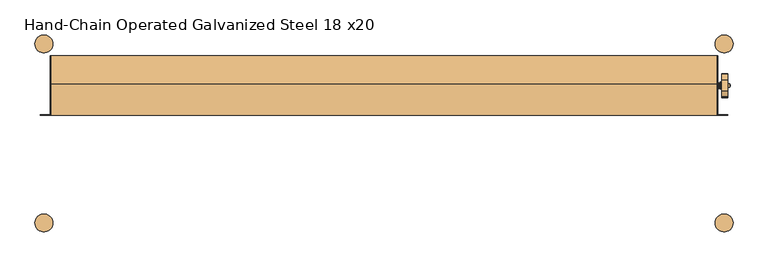
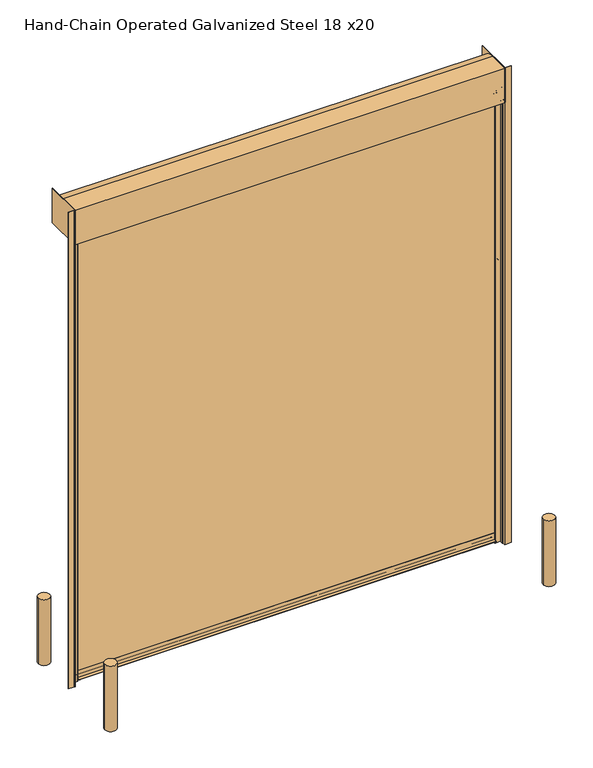
"""IFC4 building model written with IfcOpenShell, lengths in millimetres: door geometry, Hand-Chain Operated Galvanized Steel 18 x20."""

from ifc_helpers import new_model, si_unit, point, frame, frame_2d, origin, origin_with_axes, place, context, project, spatial, polyline, circle_curve, ellipse_curve, trimmed, segment, composite_curve, outline, extrude, source, transform, mapped, element, save
from ifc_brep_helpers import plane_surface, cylinder_surface, revolved_surface, advanced_brep


def hand_chain_operated_galvanized_steel_18_x20_b27704e9(model_context):
    return source(origin(), model_context, "Body", "SolidModel", [
        extrude(outline(composite_curve([segment(trimmed(circle_curve(frame_2d((-1981.2, 762.0)), 76.2), [point((-2057.4, 762.0))], [point((-1905.0, 762.0))], False, "CARTESIAN"), True, "CONTINUOUS"), segment(trimmed(circle_curve(frame_2d((-1981.2, 762.0)), 76.2), [point((-1905.0, 762.0))], [point((-2057.4, 762.0))], False, "CARTESIAN"), True, "CONTINUOUS")], self_intersect=False)), origin_with_axes(), (0.0, 0.0, 1.0), 914.4),
        extrude(outline(composite_curve([segment(trimmed(circle_curve(frame_2d((3810.0, 762.0)), 76.2), [point((3733.8, 762.0))], [point((3886.2, 762.0))], False, "CARTESIAN"), True, "CONTINUOUS"), segment(trimmed(circle_curve(frame_2d((3810.0, 762.0)), 76.2), [point((3886.2, 762.0))], [point((3733.8, 762.0))], False, "CARTESIAN"), True, "CONTINUOUS")], self_intersect=False)), origin_with_axes(), (0.0, 0.0, 1.0), 914.4),
        extrude(outline(composite_curve([segment(trimmed(circle_curve(frame_2d((3810.0, -762.0)), 76.2), [point((3886.2, -762.0))], [point((3733.8, -762.0))], False, "CARTESIAN"), True, "CONTINUOUS"), segment(trimmed(circle_curve(frame_2d((3810.0, -762.0)), 76.2), [point((3733.8, -762.0))], [point((3886.2, -762.0))], False, "CARTESIAN"), True, "CONTINUOUS")], self_intersect=False)), origin_with_axes(), (0.0, 0.0, 1.0), 914.4),
        extrude(outline(composite_curve([segment(trimmed(circle_curve(frame_2d((-1981.2, -762.0)), 76.2), [point((-2057.4, -762.0))], [point((-1905.0, -762.0))], False, "CARTESIAN"), True, "CONTINUOUS"), segment(trimmed(circle_curve(frame_2d((-1981.2, -762.0)), 76.2), [point((-1905.0, -762.0))], [point((-2057.4, -762.0))], False, "CARTESIAN"), True, "CONTINUOUS")], self_intersect=False)), origin_with_axes(), (0.0, 0.0, 1.0), 914.4),
        extrude(outline(polyline([(-1928.8252, 660.4), (-1922.4752, 660.4), (-1922.4752, 152.4), (-1928.8252, 152.4), (-1928.8252, 660.4)])), frame((0.0, 0.0, 6172.2), z_axis=(0.0, 0.0, 1.0), x_axis=(1.0, 0.0, 0.0)), (0.0, 0.0, 1.0), 482.6),
        advanced_brep(
        [(3841.8309604, 455.9483399, 6281.6469387), (3841.8309604, 356.8516601, 6281.6469387), (3841.8309604, 310.1951464, 6160.1025652), (3841.8309604, 309.5625, 6156.6891105), (3841.8309604, 309.5625, 6103.6877303), (3841.8309604, 305.4933116, 6093.7069784), (3841.8309604, 307.2003, 6089.65), (3841.8309604, 346.8751, 6089.65), (3841.8309604, 348.5820884, 6093.7069784), (3841.8309604, 344.7479873, 6106.267727), (3841.8309604, 357.2129, 6121.4), (3841.8309604, 366.3647733, 6121.4), (3841.8309604, 446.4352267, 6121.4), (3841.8309604, 455.5871, 6121.4), (3841.8309604, 468.2871, 6108.7), (3841.8309604, 468.2871, 6103.6877303), (3841.8309604, 464.2179116, 6093.7069784), (3841.8309604, 465.9249, 6089.65), (3841.8309604, 505.5997, 6089.65), (3841.8309604, 507.3066884, 6093.7069784), (3841.8309604, 503.2375, 6103.6877303), (3841.8309604, 503.2375, 6158.4544649), (3841.8309604, 390.525, 6200.775), (3841.8309604, 422.275, 6200.775), (3791.0309604, 455.9483399, 6281.6469387), (3791.0309604, 503.2375, 6158.4544649), (3791.0309604, 503.2375, 6103.6877303), (3791.0309604, 507.3066884, 6093.7069784), (3791.0309604, 505.5997, 6089.65), (3791.0309604, 465.9249, 6089.65), (3791.0309604, 464.2179116, 6093.7069784), (3791.0309604, 468.2871, 6103.6877303), (3791.0309604, 468.2871, 6108.7), (3791.0309604, 455.5871, 6121.4), (3791.0309604, 446.4352267, 6121.4), (3791.0309604, 366.3647733, 6121.4), (3791.0309604, 357.2129, 6121.4), (3791.0309604, 344.7479873, 6106.267727), (3791.0309604, 348.5820884, 6093.7069784), (3791.0309604, 346.8751, 6089.65), (3791.0309604, 307.2003, 6089.65), (3791.0309604, 305.4933116, 6093.7069784), (3791.0309604, 309.5625, 6103.6877303), (3791.0309604, 309.5625, 6156.6891105), (3791.0309604, 310.1951464, 6160.1025652), (3791.0309604, 356.8516601, 6281.6469387), (3791.0309604, 406.4, 6220.3965), (3791.0309604, 406.4, 6182.2965), (3856.1184604, 422.275, 6200.775), (3856.1184604, 390.525, 6200.775), (3856.1184604, 406.4, 6191.8215), (3856.1184604, 406.4, 6210.8715), (3862.3875, 406.4, 6194.9965), (3859.2125, 406.4, 6191.8215), (3859.2125, 406.4, 6210.8715), (3862.3875, 406.4, 6207.6965), (3862.3875, 406.4, 6201.3465), (3757.6125, 406.4, 6175.9465), (3757.6125, 406.4, 6201.3465), (3757.6125, 406.4, 6226.7465), (3763.9625, 406.4, 6226.7465), (3763.9625, 406.4, 6175.9465), (3763.9625, 406.4, 6222.7841), (3763.9625, 406.4, 6179.9089), (3774.0971, 406.4, 6222.7841), (3774.0971, 406.4, 6179.9089), (3774.0971, 406.4, 6226.62585), (3774.0971, 406.4, 6176.06715), (3775.6846, 406.4, 6232.97585), (3775.6846, 406.4, 6169.71715), (3778.25, 406.4, 6232.97585), (3778.25, 406.4, 6169.71715), (3779.8375, 406.4, 6226.62585), (3779.8375, 406.4, 6176.06715), (3779.8375, 406.4, 6220.3965), (3779.8375, 406.4, 6182.2965)],
        [
            (0, 1, circle_curve(frame((3841.8309604, 406.4, 6200.775), z_axis=(1.0, 0.0, 0.0), x_axis=(0.0, -1.0, 0.0)), 94.8436)),
            (1, 2),
            (2, 3, circle_curve(frame((3841.8309604, 319.0875, 6156.6891105), z_axis=(1.0, 0.0, 0.0), x_axis=(0.0, -1.0, 0.0)), 9.525)),
            (3, 4),
            (4, 5, circle_curve(frame((3841.8309604, 295.2877, 6103.6877303), z_axis=(-1.0, 0.0, 0.0), x_axis=(0.0, -1.0, 0.0)), 14.2748)),
            (5, 6, circle_curve(frame((3841.8309604, 307.2003, 6092.0376), z_axis=(1.0, 0.0, 0.0), x_axis=(0.0, -1.0, 0.0)), 2.3876)),
            (6, 7),
            (7, 8, circle_curve(frame((3841.8309604, 346.8751, 6092.0376), z_axis=(1.0, 0.0, 0.0), x_axis=(0.0, -1.0, 0.0)), 2.3876)),
            (8, 9, circle_curve(frame((3841.8309604, 358.7877, 6103.6877303), z_axis=(-1.0, 0.0, 0.0), x_axis=(0.0, -1.0, 0.0)), 14.2748)),
            (9, 10, circle_curve(frame((3841.8309604, 357.2129, 6108.7), z_axis=(-1.0, 0.0, 0.0), x_axis=(0.0, -1.0, 0.0)), 12.7)),
            (10, 11),
            (11, 12, circle_curve(frame((3841.8309604, 406.4, 6200.775), z_axis=(1.0, 0.0, 0.0), x_axis=(0.0, -1.0, 0.0)), 88.9)),
            (12, 13),
            (13, 14, circle_curve(frame((3841.8309604, 455.5871, 6108.7), z_axis=(-1.0, 0.0, 0.0), x_axis=(0.0, -1.0, 0.0)), 12.7)),
            (14, 15),
            (15, 16, circle_curve(frame((3841.8309604, 454.0123, 6103.6877303), z_axis=(-1.0, 0.0, 0.0), x_axis=(0.0, -1.0, 0.0)), 14.2748)),
            (16, 17, circle_curve(frame((3841.8309604, 465.9249, 6092.0376), z_axis=(1.0, 0.0, 0.0), x_axis=(0.0, -1.0, 0.0)), 2.3876)),
            (17, 18),
            (18, 19, circle_curve(frame((3841.8309604, 505.5997, 6092.0376), z_axis=(1.0, 0.0, 0.0), x_axis=(0.0, -1.0, 0.0)), 2.3876)),
            (19, 20, circle_curve(frame((3841.8309604, 517.5123, 6103.6877303), z_axis=(-1.0, 0.0, 0.0), x_axis=(0.0, -1.0, 0.0)), 14.2748)),
            (20, 21),
            (21, 0),
            (22, 23, circle_curve(frame((3841.8309604, 406.4, 6200.775), z_axis=(-1.0, 0.0, 0.0), x_axis=(0.0, -1.0, 0.0)), 15.875)),
            (23, 22, circle_curve(frame((3841.8309604, 406.4, 6200.775), z_axis=(-1.0, 0.0, 0.0), x_axis=(0.0, -1.0, 0.0)), 15.875)),
            (24, 25),
            (25, 26),
            (26, 27, circle_curve(frame((3791.0309604, 517.5123, 6103.6877303), z_axis=(1.0, 0.0, 0.0), x_axis=(0.0, -1.0, 0.0)), 14.2748)),
            (27, 28, circle_curve(frame((3791.0309604, 505.5997, 6092.0376), z_axis=(-1.0, 0.0, 0.0), x_axis=(0.0, -1.0, 0.0)), 2.3876)),
            (28, 29),
            (29, 30, circle_curve(frame((3791.0309604, 465.9249, 6092.0376), z_axis=(-1.0, 0.0, 0.0), x_axis=(0.0, -1.0, 0.0)), 2.3876)),
            (30, 31, circle_curve(frame((3791.0309604, 454.0123, 6103.6877303), z_axis=(1.0, 0.0, 0.0), x_axis=(0.0, -1.0, 0.0)), 14.2748)),
            (31, 32),
            (32, 33, circle_curve(frame((3791.0309604, 455.5871, 6108.7), z_axis=(1.0, 0.0, 0.0), x_axis=(0.0, -1.0, 0.0)), 12.7)),
            (33, 34),
            (34, 35, circle_curve(frame((3791.0309604, 406.4, 6200.775), z_axis=(-1.0, 0.0, 0.0), x_axis=(0.0, -1.0, 0.0)), 88.9)),
            (35, 36),
            (36, 37, circle_curve(frame((3791.0309604, 357.2129, 6108.7), z_axis=(1.0, 0.0, 0.0), x_axis=(0.0, -1.0, 0.0)), 12.7)),
            (37, 38, circle_curve(frame((3791.0309604, 358.7877, 6103.6877303), z_axis=(1.0, 0.0, 0.0), x_axis=(0.0, -1.0, 0.0)), 14.2748)),
            (38, 39, circle_curve(frame((3791.0309604, 346.8751, 6092.0376), z_axis=(-1.0, 0.0, 0.0), x_axis=(0.0, -1.0, 0.0)), 2.3876)),
            (39, 40),
            (40, 41, circle_curve(frame((3791.0309604, 307.2003, 6092.0376), z_axis=(-1.0, 0.0, 0.0), x_axis=(0.0, -1.0, 0.0)), 2.3876)),
            (41, 42, circle_curve(frame((3791.0309604, 295.2877, 6103.6877303), z_axis=(1.0, 0.0, 0.0), x_axis=(0.0, -1.0, 0.0)), 14.2748)),
            (42, 43),
            (43, 44, circle_curve(frame((3791.0309604, 319.0875, 6156.6891105), z_axis=(-1.0, 0.0, 0.0), x_axis=(0.0, -1.0, 0.0)), 9.525)),
            (44, 45),
            (45, 24, circle_curve(frame((3791.0309604, 406.4, 6200.775), z_axis=(-1.0, 0.0, 0.0), x_axis=(0.0, -1.0, 0.0)), 94.8436)),
            (46, 47, circle_curve(frame((3791.0309604, 406.4, 6201.3465), z_axis=(1.0, 0.0, 0.0), x_axis=(0.0, 0.0, 1.0)), 19.05)),
            (47, 46, circle_curve(frame((3791.0309604, 406.4, 6201.3465), z_axis=(1.0, 0.0, 0.0), x_axis=(0.0, 0.0, 1.0)), 19.05)),
            (21, 25),
            (24, 0),
            (20, 26),
            (19, 27),
            (18, 28),
            (17, 29),
            (16, 30),
            (15, 31),
            (14, 32),
            (13, 33),
            (12, 34),
            (11, 35),
            (10, 36),
            (9, 37),
            (8, 38),
            (7, 39),
            (6, 40),
            (5, 41),
            (4, 42),
            (3, 43),
            (2, 44),
            (1, 45),
            (48, 49, circle_curve(frame((3856.1184604, 406.4, 6200.775), z_axis=(1.0, 0.0, 0.0), x_axis=(0.0, -1.0, 0.0)), 15.875)),
            (49, 48, circle_curve(frame((3856.1184604, 406.4, 6200.775), z_axis=(1.0, 0.0, 0.0), x_axis=(0.0, -1.0, 0.0)), 15.875)),
            (50, 51, circle_curve(frame((3856.1184604, 406.4, 6201.3465), z_axis=(-1.0, 0.0, 0.0), x_axis=(0.0, 0.0, 1.0)), 9.525)),
            (51, 50, circle_curve(frame((3856.1184604, 406.4, 6201.3465), z_axis=(-1.0, 0.0, 0.0), x_axis=(0.0, 0.0, 1.0)), 9.525)),
            (49, 22),
            (23, 48),
            (52, 53),
            (53, 54, circle_curve(frame((3859.2125, 406.4, 6201.3465), z_axis=(1.0, 0.0, 0.0), x_axis=(0.0, 0.0, 1.0)), 9.525)),
            (54, 55),
            (55, 52, circle_curve(frame((3862.3875, 406.4, 6201.3465), z_axis=(-1.0, 0.0, 0.0), x_axis=(0.0, 0.0, 1.0)), 6.35)),
            (54, 53, circle_curve(frame((3859.2125, 406.4, 6201.3465), z_axis=(1.0, 0.0, 0.0), x_axis=(0.0, 0.0, 1.0)), 9.525)),
            (52, 55, circle_curve(frame((3862.3875, 406.4, 6201.3465), z_axis=(-1.0, 0.0, 0.0), x_axis=(0.0, 0.0, 1.0)), 6.35)),
            (55, 56),
            (56, 52),
            (53, 50),
            (51, 54),
            (57, 58),
            (58, 59),
            (59, 57, circle_curve(frame((3757.6125, 406.4, 6201.3465), z_axis=(-1.0, 0.0, 0.0), x_axis=(0.0, 0.0, 1.0)), 25.4)),
            (57, 59, circle_curve(frame((3757.6125, 406.4, 6201.3465), z_axis=(-1.0, 0.0, 0.0), x_axis=(0.0, 0.0, 1.0)), 25.4)),
            (59, 60),
            (60, 61, circle_curve(frame((3763.9625, 406.4, 6201.3465), z_axis=(-1.0, 0.0, 0.0), x_axis=(0.0, 0.0, 1.0)), 25.4)),
            (61, 57),
            (61, 60, circle_curve(frame((3763.9625, 406.4, 6201.3465), z_axis=(-1.0, 0.0, 0.0), x_axis=(0.0, 0.0, 1.0)), 25.4)),
            (60, 62),
            (62, 63, circle_curve(frame((3763.9625, 406.4, 6201.3465), z_axis=(-1.0, 0.0, 0.0), x_axis=(0.0, 0.0, 1.0)), 21.4376)),
            (63, 61),
            (63, 62, circle_curve(frame((3763.9625, 406.4, 6201.3465), z_axis=(-1.0, 0.0, 0.0), x_axis=(0.0, 0.0, 1.0)), 21.4376)),
            (62, 64),
            (64, 65, circle_curve(frame((3774.0971, 406.4, 6201.3465), z_axis=(-1.0, 0.0, 0.0), x_axis=(0.0, 0.0, 1.0)), 21.4376)),
            (65, 63),
            (65, 64, circle_curve(frame((3774.0971, 406.4, 6201.3465), z_axis=(-1.0, 0.0, 0.0), x_axis=(0.0, 0.0, 1.0)), 21.4376)),
            (64, 66),
            (66, 67, circle_curve(frame((3774.0971, 406.4, 6201.3465), z_axis=(-1.0, 0.0, 0.0), x_axis=(0.0, 0.0, 1.0)), 25.27935)),
            (67, 65),
            (67, 66, circle_curve(frame((3774.0971, 406.4, 6201.3465), z_axis=(-1.0, 0.0, 0.0), x_axis=(0.0, 0.0, 1.0)), 25.27935)),
            (66, 68),
            (68, 69, circle_curve(frame((3775.6846, 406.4, 6201.3465), z_axis=(-1.0, 0.0, 0.0), x_axis=(0.0, 0.0, 1.0)), 31.62935)),
            (69, 67),
            (69, 68, circle_curve(frame((3775.6846, 406.4, 6201.3465), z_axis=(-1.0, 0.0, 0.0), x_axis=(0.0, 0.0, 1.0)), 31.62935)),
            (68, 70),
            (70, 71, circle_curve(frame((3778.25, 406.4, 6201.3465), z_axis=(-1.0, 0.0, 0.0), x_axis=(0.0, 0.0, 1.0)), 31.62935)),
            (71, 69),
            (71, 70, circle_curve(frame((3778.25, 406.4, 6201.3465), z_axis=(-1.0, 0.0, 0.0), x_axis=(0.0, 0.0, 1.0)), 31.62935)),
            (70, 72),
            (72, 73, circle_curve(frame((3779.8375, 406.4, 6201.3465), z_axis=(-1.0, 0.0, 0.0), x_axis=(0.0, 0.0, 1.0)), 25.27935)),
            (73, 71),
            (73, 72, circle_curve(frame((3779.8375, 406.4, 6201.3465), z_axis=(-1.0, 0.0, 0.0), x_axis=(0.0, 0.0, 1.0)), 25.27935)),
            (72, 74),
            (74, 75, circle_curve(frame((3779.8375, 406.4, 6201.3465), z_axis=(-1.0, 0.0, 0.0), x_axis=(0.0, 0.0, 1.0)), 19.05)),
            (75, 73),
            (75, 74, circle_curve(frame((3779.8375, 406.4, 6201.3465), z_axis=(-1.0, 0.0, 0.0), x_axis=(0.0, 0.0, 1.0)), 19.05)),
            (74, 46),
            (47, 75),
        ],
        [
            plane_surface(frame((3841.8309604, 456.1174554, 6281.2063779), z_axis=(1.0, 0.0, 0.0), x_axis=(0.0, 0.3583679495453003, -0.9335804264972017))),
            plane_surface(frame((3791.0309604, 456.1174554, 6281.2063779), z_axis=(-1.0, 0.0, 0.0), x_axis=(0.0, -0.3583679495453003, 0.9335804264972017))),
            plane_surface(frame((3841.8309604, 455.9483399, 6281.6469387), z_axis=(0.0, 0.9335804264972017, 0.3583679495453003), x_axis=(-1.0, 0.0, 0.0))),
            plane_surface(frame((3841.8309604, 503.2375, 6158.4544649), z_axis=(0.0, 1.0, 0.0), x_axis=(-1.0, 0.0, 0.0))),
            revolved_surface(polyline([(3791.0309604, 503.23749999999995, 6103.6877303), (3841.8309604, 503.23749999999995, 6103.6877303)]), (3791.0309604, 517.5123, 6103.6877303), (-1.0, 0.0, 0.0)),
            cylinder_surface(frame((3791.0309604, 505.5997, 6092.0376), z_axis=(1.0, 0.0, 0.0), x_axis=(0.0, -1.0, 0.0)), 2.3876),
            plane_surface(frame((3841.8309604, 505.5997, 6089.65), z_axis=(0.0, 0.0, -1.0), x_axis=(-1.0, 0.0, 0.0))),
            cylinder_surface(frame((3791.0309604, 465.9249, 6092.0376), z_axis=(1.0, 0.0, 0.0), x_axis=(0.0, -1.0, 0.0)), 2.3876),
            revolved_surface(polyline([(3791.0309604, 439.73749999999995, 6103.6877303), (3841.8309604, 439.73749999999995, 6103.6877303)]), (3791.0309604, 454.0123, 6103.6877303), (-1.0, 0.0, 0.0)),
            plane_surface(frame((3841.8309604, 468.2871, 6103.6877303), z_axis=(0.0, -1.0, 0.0), x_axis=(-1.0, 0.0, 0.0))),
            revolved_surface(polyline([(3791.0309604, 442.88710000000003, 6108.7), (3841.8309604, 442.88710000000003, 6108.7)]), (3791.0309604, 455.5871, 6108.7), (-1.0, 0.0, 0.0)),
            plane_surface(frame((3841.8309604, 455.5871, 6121.4), z_axis=(0.0, 0.0, -1.0), x_axis=(-1.0, 0.0, 0.0))),
            cylinder_surface(frame((3791.0309604, 406.4, 6200.775), z_axis=(1.0, 0.0, 0.0), x_axis=(0.0, -1.0, 0.0)), 88.9),
            plane_surface(frame((3841.8309604, 366.3647733, 6121.4), z_axis=(0.0, 0.0, -1.0), x_axis=(-1.0, 0.0, 0.0))),
            revolved_surface(polyline([(3791.0309604, 344.5129, 6108.7), (3841.8309604, 344.5129, 6108.7)]), (3791.0309604, 357.2129, 6108.7), (-1.0, 0.0, 0.0)),
            revolved_surface(polyline([(3791.0309604, 344.51289999999995, 6103.6877303), (3841.8309604, 344.51289999999995, 6103.6877303)]), (3791.0309604, 358.7877, 6103.6877303), (-1.0, 0.0, 0.0)),
            cylinder_surface(frame((3791.0309604, 346.8751, 6092.0376), z_axis=(1.0, 0.0, 0.0), x_axis=(0.0, -1.0, 0.0)), 2.3876),
            plane_surface(frame((3841.8309604, 346.8751, 6089.65), z_axis=(0.0, 0.0, -1.0), x_axis=(-1.0, 0.0, 0.0))),
            cylinder_surface(frame((3791.0309604, 307.2003, 6092.0376), z_axis=(1.0, 0.0, 0.0), x_axis=(0.0, -1.0, 0.0)), 2.3876),
            revolved_surface(polyline([(3791.0309604, 281.01289999999995, 6103.6877303), (3841.8309604, 281.01289999999995, 6103.6877303)]), (3791.0309604, 295.2877, 6103.6877303), (-1.0, 0.0, 0.0)),
            plane_surface(frame((3841.8309604, 309.5625, 6103.6877303), z_axis=(0.0, -1.0, 0.0), x_axis=(-1.0, 0.0, 0.0))),
            cylinder_surface(frame((3791.0309604, 319.0875, 6156.6891105), z_axis=(1.0, 0.0, 0.0), x_axis=(0.0, -1.0, 0.0)), 9.525),
            plane_surface(frame((3841.8309604, 310.1951464, 6160.1025652), z_axis=(0.0, -0.9335804264972019, 0.35836794954530005), x_axis=(-1.0, 0.0, 0.0))),
            cylinder_surface(frame((3791.0309604, 406.4, 6200.775), z_axis=(1.0, 0.0, 0.0), x_axis=(0.0, -1.0, 0.0)), 94.8436),
            plane_surface(frame((3856.1184604, 390.525, 6200.775), z_axis=(1.0, 0.0, 0.0), x_axis=(0.0, 0.0, 1.0))),
            cylinder_surface(frame((3825.9305604, 406.4, 6200.775), z_axis=(1.0, 0.0, 0.0), x_axis=(0.0, -1.0, 0.0)), 15.875),
            revolved_surface(polyline([(3859.2125, 406.4, 6210.8715), (3862.3875, 406.4, 6207.6965)]), (3791.0309604, 406.4, 6201.3465), (1.0, 0.0, 0.0)),
            plane_surface(frame((3862.3875, 406.4, 6201.3465), z_axis=(1.0, 0.0, 0.0), x_axis=(0.0, 0.0, 1.0))),
            cylinder_surface(frame((3791.0309604, 406.4, 6201.3465), z_axis=(1.0, 0.0, 0.0), x_axis=(0.0, 0.0, 1.0)), 9.525),
            plane_surface(frame((3757.6125, 406.4, 6201.3465), z_axis=(-1.0, 0.0, 0.0), x_axis=(0.0, 0.0, 1.0))),
            cylinder_surface(frame((3791.0309604, 406.4, 6201.3465), z_axis=(1.0, 0.0, 0.0), x_axis=(0.0, 0.0, 1.0)), 25.4),
            plane_surface(frame((3763.9625, 406.4, 6201.3465), z_axis=(1.0, 0.0, 0.0), x_axis=(0.0, 0.0, 1.0))),
            cylinder_surface(frame((3791.0309604, 406.4, 6201.3465), z_axis=(1.0, 0.0, 0.0), x_axis=(0.0, 0.0, 1.0)), 21.4376),
            plane_surface(frame((3774.0971, 406.4, 6201.3465), z_axis=(-1.0, 0.0, 0.0), x_axis=(0.0, 0.0, 1.0))),
            revolved_surface(polyline([(3774.0971, 406.4, 6226.62585), (3775.6846, 406.4, 6232.97585)]), (3791.0309604, 406.4, 6201.3465), (1.0, 0.0, 0.0)),
            cylinder_surface(frame((3791.0309604, 406.4, 6201.3465), z_axis=(1.0, 0.0, 0.0), x_axis=(0.0, 0.0, 1.0)), 31.62935),
            revolved_surface(polyline([(3778.25, 406.4, 6232.97585), (3779.8375, 406.4, 6226.62585)]), (3791.0309604, 406.4, 6201.3465), (1.0, 0.0, 0.0)),
            plane_surface(frame((3779.8375, 406.4, 6201.3465), z_axis=(1.0, 0.0, 0.0), x_axis=(0.0, 0.0, 1.0))),
            cylinder_surface(frame((3791.0309604, 406.4, 6201.3465), z_axis=(1.0, 0.0, 0.0), x_axis=(0.0, 0.0, 1.0)), 19.05),
        ],
        [
            (0, [[1, 2, 3, 4, 5, 6, 7, 8, 9, 10, 11, 12, 13, 14, 15, 16, 17, 18, 19, 20, 21, 22], [23, 24]]),
            (1, [[25, 26, 27, 28, 29, 30, 31, 32, 33, 34, 35, 36, 37, 38, 39, 40, 41, 42, 43, 44, 45, 46], [47, 48]]),
            (2, [[49, -25, 50, -22]]),
            (3, [[51, -26, -49, -21]]),
            (4, [[52, -27, -51, -20]]),
            (5, [[53, -28, -52, -19]]),
            (6, [[54, -29, -53, -18]]),
            (7, [[55, -30, -54, -17]]),
            (8, [[56, -31, -55, -16]]),
            (9, [[57, -32, -56, -15]]),
            (10, [[58, -33, -57, -14]]),
            (11, [[59, -34, -58, -13]]),
            (12, [[60, -35, -59, -12]]),
            (13, [[61, -36, -60, -11]]),
            (14, [[62, -37, -61, -10]]),
            (15, [[63, -38, -62, -9]]),
            (16, [[64, -39, -63, -8]]),
            (17, [[65, -40, -64, -7]]),
            (18, [[66, -41, -65, -6]]),
            (19, [[67, -42, -66, -5]]),
            (20, [[68, -43, -67, -4]]),
            (21, [[69, -44, -68, -3]]),
            (22, [[70, -45, -69, -2]]),
            (23, [[-50, -46, -70, -1]]),
            (24, [[71, 72], [73, 74]]),
            (25, [[75, -24, 76, -72]]),
            (25, [[-76, -23, -75, -71]]),
            (26, [[77, 78, 79, 80]]),
            (26, [[81, -77, 82, -79]]),
            (27, [[83, 84, -80]]),
            (27, [[-84, -83, -82]]),
            (28, [[85, -74, 86, -78]]),
            (28, [[-86, -73, -85, -81]]),
            (29, [[87, 88, 89]]),
            (29, [[-87, 90, -88]]),
            (30, [[91, 92, 93, -89]]),
            (30, [[-93, 94, -91, -90]]),
            (31, [[95, 96, 97, -92]]),
            (31, [[-97, 98, -95, -94]]),
            (32, [[99, 100, 101, -96]]),
            (32, [[-101, 102, -99, -98]]),
            (33, [[103, 104, 105, -100]]),
            (33, [[-105, 106, -103, -102]]),
            (34, [[107, 108, 109, -104]]),
            (34, [[-109, 110, -107, -106]]),
            (35, [[111, 112, 113, -108]]),
            (35, [[-113, 114, -111, -110]]),
            (36, [[115, 116, 117, -112]]),
            (36, [[-117, 118, -115, -114]]),
            (37, [[119, 120, 121, -116]]),
            (37, [[-121, 122, -119, -118]]),
            (38, [[123, -48, 124, -120]]),
            (38, [[-124, -47, -123, -122]]),
        ],
    ),
        advanced_brep(
        [(3820.1659087, 328.6125, 6172.2), (3812.5340913, 328.6125, 6172.2), (3812.5340913, 328.6125, 3873.5), (3820.1659087, 328.6125, 3873.5), (3812.5340913, 487.3625, 3873.5), (3820.1659087, 487.3625, 3873.5), (3820.1659087, 487.3625, 6172.2), (3812.5340913, 487.3625, 6172.2)],
        [
            (0, 1, circle_curve(frame((3816.35, 328.6125, 6172.2), z_axis=(0.0, 0.0, 1.0), x_axis=(-1.0, 0.0, 0.0)), 3.8159087)),
            (1, 0, circle_curve(frame((3816.35, 328.6125, 6172.2), z_axis=(0.0, 0.0, 1.0), x_axis=(-1.0, 0.0, 0.0)), 3.8159087)),
            (1, 2),
            (2, 3, circle_curve(frame((3816.35, 328.6125, 3873.5), z_axis=(0.0, 0.0, 1.0), x_axis=(-1.0, 0.0, 0.0)), 3.8159087)),
            (3, 0),
            (3, 2, circle_curve(frame((3816.35, 328.6125, 3873.5), z_axis=(0.0, 0.0, 1.0), x_axis=(-1.0, 0.0, 0.0)), 3.8159087)),
            (4, 5, circle_curve(frame((3816.35, 487.3625, 3873.5), z_axis=(0.0, 0.0, -1.0), x_axis=(-1.0, 0.0, 0.0)), 3.8159087)),
            (5, 3, circle_curve(frame((3820.1659087, 407.9875, 3873.5), z_axis=(-1.0, 0.0, 0.0), x_axis=(0.0, -1.0, 0.0)), 79.375)),
            (2, 4, circle_curve(frame((3812.5340913, 407.9875, 3873.5), z_axis=(1.0, 0.0, 0.0), x_axis=(0.0, -1.0, 0.0)), 79.375)),
            (5, 4, circle_curve(frame((3816.35, 487.3625, 3873.5), z_axis=(0.0, 0.0, -1.0), x_axis=(-1.0, 0.0, 0.0)), 3.8159087)),
            (6, 7, circle_curve(frame((3816.35, 487.3625, 6172.2), z_axis=(0.0, 0.0, 1.0), x_axis=(-1.0, 0.0, 0.0)), 3.8159087)),
            (7, 6, circle_curve(frame((3816.35, 487.3625, 6172.2), z_axis=(0.0, 0.0, 1.0), x_axis=(-1.0, 0.0, 0.0)), 3.8159087)),
            (4, 7),
            (6, 5),
        ],
        [
            plane_surface(frame((3816.35, 328.6125, 6172.2), z_axis=(0.0, 0.0, 1.0), x_axis=(-1.0, 0.0, 0.0))),
            cylinder_surface(frame((3816.35, 328.6125, 6172.2), z_axis=(0.0, 0.0, 1.0), x_axis=(-1.0, 0.0, 0.0)), 3.8159087),
            revolved_surface(trimmed(ellipse_curve(frame((3816.35, 328.6125, 3873.5), z_axis=(0.0, 0.0, -1.0), x_axis=(-1.0, 0.0, 0.0)), 3.8159087, 3.8159087), [point((3820.1659087, 328.6125, 3873.5))], [point((3812.5340913, 328.6125, 3873.5))], True, "CARTESIAN"), (3816.35, 407.9875, 3873.5), (-1.0, 0.0, 0.0)),
            revolved_surface(trimmed(ellipse_curve(frame((3816.35, 328.6125, 3873.5), z_axis=(0.0, 0.0, -1.0), x_axis=(-1.0, 0.0, 0.0)), 3.8159087, 3.8159087), [point((3812.5340913, 328.6125, 3873.5))], [point((3820.1659087, 328.6125, 3873.5))], True, "CARTESIAN"), (3816.35, 407.9875, 3873.5), (-1.0, 0.0, 0.0)),
            plane_surface(frame((3816.35, 487.3625, 6172.2), z_axis=(0.0, 0.0, 1.0), x_axis=(-1.0, 0.0, 0.0))),
            cylinder_surface(frame((3816.35, 487.3625, 3873.5), z_axis=(0.0, 0.0, -1.0), x_axis=(-1.0, 0.0, 0.0)), 3.8159087),
        ],
        [
            (0, [[1, 2]]),
            (1, [[3, 4, 5, -2]]),
            (1, [[-5, 6, -3, -1]]),
            (2, [[7, 8, -4, 9]]),
            (3, [[10, -9, -6, -8]]),
            (4, [[11, 12]]),
            (5, [[13, -11, 14, -7]]),
            (5, [[-14, -12, -13, -10]]),
        ],
    ),
        extrude(outline(polyline([(3757.6125, 152.4), (3751.2625, 152.4), (3751.2625, 660.4), (3757.6125, 660.4), (3757.6125, 152.4)])), frame((0.0, 0.0, 6172.2), z_axis=(0.0, 0.0, 1.0), x_axis=(1.0, 0.0, 0.0)), (0.0, 0.0, 1.0), 482.6),
        advanced_brep(
        [(3757.6252, 238.125, 6172.2), (3754.4502, 241.3, 6172.2), (3751.2752, 241.3, 6172.2), (3751.2752, 152.4, 6172.2), (3757.6252, 152.4, 6172.2), (3757.6252, 161.925, 6172.2), (3751.2752, 152.4, 0.0), (3751.2752, 241.3, 0.0), (3754.4502, 241.3, 0.0), (3757.6252, 238.125, 0.0), (3757.6252, 161.925, 0.0), (3760.8002, 158.75, 0.0), (3837.0002, 158.75, 0.0), (3840.1752, 155.575, 0.0), (3840.1752, 152.4, 0.0), (3840.1752, 152.4, 6654.8), (3757.6252, 152.4, 6654.8), (3760.8002, 158.75, 6654.8), (3757.6252, 161.925, 6654.8), (3840.1752, 155.575, 6654.8), (3837.0002, 158.75, 6654.8)],
        [
            (0, 1, circle_curve(frame((3754.4502, 238.125, 6172.2), z_axis=(0.0, 0.0, 1.0), x_axis=(-1.0, 0.0, 0.0)), 3.175)),
            (1, 2),
            (2, 3),
            (3, 4),
            (4, 5),
            (5, 0),
            (6, 7),
            (7, 8),
            (8, 9, circle_curve(frame((3754.4502, 238.125, 0.0), z_axis=(0.0, 0.0, -1.0), x_axis=(-1.0, 0.0, 0.0)), 3.175)),
            (9, 10),
            (10, 11, circle_curve(frame((3760.8002, 161.925, 0.0), z_axis=(0.0, 0.0, 1.0), x_axis=(-1.0, 0.0, 0.0)), 3.175)),
            (11, 12),
            (12, 13, circle_curve(frame((3837.0002, 155.575, 0.0), z_axis=(0.0, 0.0, -1.0), x_axis=(-1.0, 0.0, 0.0)), 3.175)),
            (13, 14),
            (14, 6),
            (9, 0),
            (5, 10),
            (8, 1),
            (7, 2),
            (6, 3),
            (14, 15),
            (15, 16),
            (16, 4),
            (17, 18, circle_curve(frame((3760.8002, 161.925, 6654.8), z_axis=(0.0, 0.0, -1.0), x_axis=(-1.0, 0.0, 0.0)), 3.175)),
            (18, 16),
            (15, 19),
            (19, 20, circle_curve(frame((3837.0002, 155.575, 6654.8), z_axis=(0.0, 0.0, 1.0), x_axis=(-1.0, 0.0, 0.0)), 3.175)),
            (20, 17),
            (17, 11),
            (5, 18),
            (13, 19),
            (12, 20),
        ],
        [
            plane_surface(frame((3751.2752, 238.125, 6172.2), z_axis=(0.0, 0.0, 1.0), x_axis=(0.0, -1.0, 0.0))),
            plane_surface(frame((3751.2752, 238.125, 0.0), z_axis=(0.0, 0.0, -1.0), x_axis=(0.0, 1.0, 0.0))),
            plane_surface(frame((3757.6252, 152.4, 6172.2), z_axis=(1.0, 0.0, 0.0), x_axis=(0.0, 0.0, -1.0))),
            cylinder_surface(frame((3754.4502, 238.125, 0.0), z_axis=(0.0, 0.0, 1.0), x_axis=(-1.0, 0.0, 0.0)), 3.175),
            plane_surface(frame((3754.4502, 241.3, 6172.2), z_axis=(0.0, 1.0, 0.0), x_axis=(0.0, 0.0, -1.0))),
            plane_surface(frame((3751.2752, 241.3, 6172.2), z_axis=(-1.0, 0.0, 0.0), x_axis=(0.0, 0.0, -1.0))),
            plane_surface(frame((3751.2752, 152.4, 6172.2), z_axis=(0.0, -1.0, 0.0), x_axis=(0.0, 0.0, -1.0))),
            plane_surface(frame((3757.6252, 161.925, 6654.8), z_axis=(0.0, 0.0, 1.0), x_axis=(0.0, 1.0, 0.0))),
            revolved_surface(polyline([(3757.6252, 161.925, 0.0), (3757.6252, 161.925, 6654.8)]), (3760.8002, 161.925, 0.0), (0.0, 0.0, -1.0)),
            plane_surface(frame((3757.6252, 161.925, 6654.8), z_axis=(-1.0, 0.0, 0.0), x_axis=(0.0, 0.0, -1.0))),
            plane_surface(frame((3840.1752, 152.4, 6654.8), z_axis=(1.0, 0.0, 0.0), x_axis=(0.0, 0.0, -1.0))),
            cylinder_surface(frame((3837.0002, 155.575, 0.0), z_axis=(0.0, 0.0, 1.0), x_axis=(-1.0, 0.0, 0.0)), 3.175),
            plane_surface(frame((3837.0002, 158.75, 6654.8), z_axis=(0.0, 1.0, 0.0), x_axis=(0.0, 0.0, -1.0))),
        ],
        [
            (0, [[1, 2, 3, 4, 5, 6]]),
            (1, [[7, 8, 9, 10, 11, 12, 13, 14, 15]]),
            (2, [[16, -6, 17, -10]]),
            (3, [[-1, -16, -9, 18]]),
            (4, [[-2, -18, -8, 19]]),
            (5, [[-3, -19, -7, 20]]),
            (6, [[-4, -20, -15, 21, 22, 23]]),
            (7, [[24, 25, -22, 26, 27, 28]]),
            (8, [[-24, 29, -11, -17, 30]]),
            (9, [[-25, -30, -5, -23]]),
            (10, [[-26, -21, -14, 31]]),
            (11, [[-27, -31, -13, 32]]),
            (12, [[-28, -32, -12, -29]]),
        ],
    ),
        extrude(outline(composite_curve([segment(polyline([(3744.1314515, 268.2874998), (3677.4564515, 268.2874998)]), True, "CONTINUOUS"), segment(trimmed(circle_curve(frame_2d((3677.4564515, 270.6687498)), 2.38125), [point((3677.4564515, 268.2874998))], [point((3675.0752015, 270.6687498))], False, "CARTESIAN"), True, "CONTINUOUS"), segment(polyline([(3675.0752015, 270.6687498), (3675.0752015, 273.0499998), (3751.2752015, 273.0499998), (3751.2752015, 196.8499998), (3748.8939515, 196.8499998)]), True, "CONTINUOUS"), segment(trimmed(circle_curve(frame_2d((3748.8939515, 199.2312498)), 2.38125), [point((3748.8939515, 196.8499998))], [point((3746.5127015, 199.2312498))], False, "CARTESIAN"), True, "CONTINUOUS"), segment(polyline([(3746.5127015, 199.2312498), (3746.5127015, 265.9062498)]), True, "CONTINUOUS"), segment(trimmed(circle_curve(frame_2d((3744.1314515, 265.9062498)), 2.38125), [point((3746.5127015, 265.9062498))], [point((3744.1314515, 268.2874998))], True, "CARTESIAN"), True, "CONTINUOUS")], self_intersect=False)), origin_with_axes(), (0.0, 0.0, 1.0), 6172.2),
        extrude(outline(composite_curve([segment(polyline([(3670.3127015, 233.3624998), (3746.5127015, 233.3624998), (3746.5127015, 182.5624998), (3744.1314515, 182.5624998)]), True, "CONTINUOUS"), segment(trimmed(circle_curve(frame_2d((3744.1314515, 184.9437498)), 2.38125), [point((3744.1314515, 182.5624998))], [point((3741.7502015, 184.9437498))], False, "CARTESIAN"), True, "CONTINUOUS"), segment(polyline([(3741.7502015, 184.9437498), (3741.7502015, 226.2187498)]), True, "CONTINUOUS"), segment(trimmed(circle_curve(frame_2d((3739.3689515, 226.2187498)), 2.38125), [point((3741.7502015, 226.2187498))], [point((3739.3689515, 228.5999998))], True, "CARTESIAN"), True, "CONTINUOUS"), segment(polyline([(3739.3689515, 228.5999998), (3672.6939515, 228.5999998)]), True, "CONTINUOUS"), segment(trimmed(circle_curve(frame_2d((3672.6939515, 230.9812498)), 2.38125), [point((3672.6939515, 228.5999998))], [point((3670.3127015, 230.9812498))], False, "CARTESIAN"), True, "CONTINUOUS"), segment(polyline([(3670.3127015, 230.9812498), (3670.3127015, 233.3624998)]), True, "CONTINUOUS")], self_intersect=False)), origin_with_axes(), (0.0, 0.0, 1.0), 6172.2),
        advanced_brep(
        [(-1928.8252, 238.125, 6172.2), (-1928.8252, 161.925, 6172.2), (-1928.8252, 152.4, 6172.2), (-1922.4752, 152.4, 6172.2), (-1922.4752, 241.3, 6172.2), (-1925.6502, 241.3, 6172.2), (-1922.4752, 152.4, 0.0), (-2011.3752, 152.4, 0.0), (-2011.3752, 155.575, 0.0), (-2008.2002, 158.75, 0.0), (-1932.0002, 158.75, 0.0), (-1928.8252, 161.925, 0.0), (-1928.8252, 238.125, 0.0), (-1925.6502, 241.3, 0.0), (-1922.4752, 241.3, 0.0), (-1928.8252, 152.4, 6654.8), (-2011.3752, 152.4, 6654.8), (-1932.0002, 158.75, 6654.8), (-2008.2002, 158.75, 6654.8), (-2011.3752, 155.575, 6654.8), (-1928.8252, 161.925, 6654.8)],
        [
            (0, 1),
            (1, 2),
            (2, 3),
            (3, 4),
            (4, 5),
            (5, 0, circle_curve(frame((-1925.6502, 238.125, 6172.2), z_axis=(0.0, 0.0, 1.0), x_axis=(1.0, 0.0, 0.0)), 3.175)),
            (6, 7),
            (7, 8),
            (8, 9, circle_curve(frame((-2008.2002, 155.575, 0.0), z_axis=(0.0, 0.0, -1.0), x_axis=(1.0, 0.0, 0.0)), 3.175)),
            (9, 10),
            (10, 11, circle_curve(frame((-1932.0002, 161.925, 0.0), z_axis=(0.0, 0.0, 1.0), x_axis=(1.0, 0.0, 0.0)), 3.175)),
            (11, 12),
            (12, 13, circle_curve(frame((-1925.6502, 238.125, 0.0), z_axis=(0.0, 0.0, -1.0), x_axis=(1.0, 0.0, 0.0)), 3.175)),
            (13, 14),
            (14, 6),
            (5, 13),
            (12, 0),
            (4, 14),
            (3, 6),
            (2, 15),
            (15, 16),
            (16, 7),
            (11, 1),
            (17, 18),
            (18, 19, circle_curve(frame((-2008.2002, 155.575, 6654.8), z_axis=(0.0, 0.0, 1.0), x_axis=(1.0, 0.0, 0.0)), 3.175)),
            (19, 16),
            (15, 20),
            (20, 17, circle_curve(frame((-1932.0002, 161.925, 6654.8), z_axis=(0.0, 0.0, -1.0), x_axis=(1.0, 0.0, 0.0)), 3.175)),
            (20, 1),
            (10, 17),
            (19, 8),
            (18, 9),
        ],
        [
            plane_surface(frame((-1922.4752, 238.125, 6172.2), z_axis=(0.0, 0.0, 1.0), x_axis=(0.0, -1.0, 0.0))),
            plane_surface(frame((-1922.4752, 238.125, 0.0), z_axis=(0.0, 0.0, -1.0), x_axis=(0.0, 1.0, 0.0))),
            cylinder_surface(frame((-1925.6502, 238.125, 0.0), z_axis=(0.0, 0.0, 1.0), x_axis=(1.0, 0.0, 0.0)), 3.175),
            plane_surface(frame((-1925.6502, 241.3, 6172.2), z_axis=(0.0, 1.0, 0.0), x_axis=(0.0, 0.0, -1.0))),
            plane_surface(frame((-1922.4752, 241.3, 6172.2), z_axis=(1.0, 0.0, 0.0), x_axis=(0.0, 0.0, -1.0))),
            plane_surface(frame((-1922.4752, 152.4, 6172.2), z_axis=(0.0, -1.0, 0.0), x_axis=(0.0, 0.0, -1.0))),
            plane_surface(frame((-1928.8252, 152.4, 6172.2), z_axis=(-1.0, 0.0, 0.0), x_axis=(0.0, 0.0, -1.0))),
            plane_surface(frame((-1928.8252, 161.925, 6654.8), z_axis=(0.0, 0.0, 1.0), x_axis=(0.0, 1.0, 0.0))),
            revolved_surface(polyline([(-1928.8252, 161.925, 0.0), (-1928.8252, 161.925, 6654.8)]), (-1932.0002, 161.925, 0.0), (0.0, 0.0, -1.0)),
            plane_surface(frame((-1928.8252, 161.925, 6654.8), z_axis=(1.0, 0.0, 0.0), x_axis=(0.0, 0.0, -1.0))),
            plane_surface(frame((-2011.3752, 152.4, 6654.8), z_axis=(-1.0, 0.0, 0.0), x_axis=(0.0, 0.0, -1.0))),
            cylinder_surface(frame((-2008.2002, 155.575, 0.0), z_axis=(0.0, 0.0, 1.0), x_axis=(1.0, 0.0, 0.0)), 3.175),
            plane_surface(frame((-2008.2002, 158.75, 6654.8), z_axis=(0.0, 1.0, 0.0), x_axis=(0.0, 0.0, -1.0))),
        ],
        [
            (0, [[1, 2, 3, 4, 5, 6]]),
            (1, [[7, 8, 9, 10, 11, 12, 13, 14, 15]]),
            (2, [[16, -13, 17, -6]]),
            (3, [[18, -14, -16, -5]]),
            (4, [[19, -15, -18, -4]]),
            (5, [[20, 21, 22, -7, -19, -3]]),
            (6, [[-12, 23, -1, -17]]),
            (7, [[24, 25, 26, -21, 27, 28]]),
            (8, [[29, -23, -11, 30, -28]]),
            (9, [[-20, -2, -29, -27]]),
            (10, [[31, -8, -22, -26]]),
            (11, [[32, -9, -31, -25]]),
            (12, [[-30, -10, -32, -24]]),
        ],
    ),
        extrude(outline(composite_curve([segment(trimmed(circle_curve(frame_2d((-1915.3314515, 265.9062498)), 2.38125), [point((-1915.3314515, 268.2874998))], [point((-1917.7127015, 265.9062498))], True, "CARTESIAN"), True, "CONTINUOUS"), segment(polyline([(-1917.7127015, 265.9062498), (-1917.7127015, 199.2312498)]), True, "CONTINUOUS"), segment(trimmed(circle_curve(frame_2d((-1920.0939515, 199.2312498)), 2.38125), [point((-1917.7127015, 199.2312498))], [point((-1920.0939515, 196.8499998))], False, "CARTESIAN"), True, "CONTINUOUS"), segment(polyline([(-1920.0939515, 196.8499998), (-1922.4752015, 196.8499998), (-1922.4752015, 273.0499998), (-1846.2752015, 273.0499998), (-1846.2752015, 270.6687498)]), True, "CONTINUOUS"), segment(trimmed(circle_curve(frame_2d((-1848.6564515, 270.6687498)), 2.38125), [point((-1846.2752015, 270.6687498))], [point((-1848.6564515, 268.2874998))], False, "CARTESIAN"), True, "CONTINUOUS"), segment(polyline([(-1848.6564515, 268.2874998), (-1915.3314515, 268.2874998)]), True, "CONTINUOUS")], self_intersect=False)), origin_with_axes(), (0.0, 0.0, 1.0), 6172.2),
        extrude(outline(composite_curve([segment(polyline([(-1841.5127015, 233.3624998), (-1841.5127015, 230.9812498)]), True, "CONTINUOUS"), segment(trimmed(circle_curve(frame_2d((-1843.8939515, 230.9812498)), 2.38125), [point((-1841.5127015, 230.9812498))], [point((-1843.8939515, 228.5999998))], False, "CARTESIAN"), True, "CONTINUOUS"), segment(polyline([(-1843.8939515, 228.5999998), (-1910.5689515, 228.5999998)]), True, "CONTINUOUS"), segment(trimmed(circle_curve(frame_2d((-1910.5689515, 226.2187498)), 2.38125), [point((-1910.5689515, 228.5999998))], [point((-1912.9502015, 226.2187498))], True, "CARTESIAN"), True, "CONTINUOUS"), segment(polyline([(-1912.9502015, 226.2187498), (-1912.9502015, 184.9437498)]), True, "CONTINUOUS"), segment(trimmed(circle_curve(frame_2d((-1915.3314515, 184.9437498)), 2.38125), [point((-1912.9502015, 184.9437498))], [point((-1915.3314515, 182.5624998))], False, "CARTESIAN"), True, "CONTINUOUS"), segment(polyline([(-1915.3314515, 182.5624998), (-1917.7127015, 182.5624998), (-1917.7127015, 233.3624998), (-1841.5127015, 233.3624998)]), True, "CONTINUOUS")], self_intersect=False)), origin_with_axes(), (0.0, 0.0, 1.0), 6172.2),
        extrude(outline(composite_curve([segment(polyline([(240.337181, 140.5929688), (264.289381, 140.5929688), (264.289381, 43.7427688), (302.770381, 43.7427688)]), True, "CONTINUOUS"), segment(trimmed(circle_curve(frame_2d((302.770381, 42.5489688)), 1.1938), [point((302.770381, 43.7427688))], [point((303.964181, 42.5489688))], False, "CARTESIAN"), True, "CONTINUOUS"), segment(polyline([(303.964181, 42.5489688), (303.964181, 40.1613688)]), True, "CONTINUOUS"), segment(trimmed(circle_curve(frame_2d((302.770381, 40.1613688)), 1.1938), [point((303.964181, 40.1613688))], [point((302.770381, 38.9675688))], False, "CARTESIAN"), True, "CONTINUOUS"), segment(polyline([(302.770381, 38.9675688), (301.208281, 38.9675688)]), True, "CONTINUOUS"), segment(trimmed(circle_curve(frame_2d((301.208281, 39.7549688)), 0.7874), [point((301.208281, 38.9675688))], [point((300.420881, 39.7549688))], False, "CARTESIAN"), True, "CONTINUOUS"), segment(polyline([(300.420881, 39.7549688), (300.420881, 40.5677688)]), True, "CONTINUOUS"), segment(trimmed(circle_curve(frame_2d((299.633481, 40.5677688)), 0.7874), [point((300.420881, 40.5677688))], [point((299.633481, 41.3551688))], True, "CARTESIAN"), True, "CONTINUOUS"), segment(polyline([(299.633481, 41.3551688), (263.8702813, 41.3551688), (263.8702813, 11.4847687)]), True, "CONTINUOUS"), segment(trimmed(circle_curve(frame_2d((252.3640813, 11.4847687)), 11.5062), [point((263.8702813, 11.4847687))], [point((262.1278267, 5.3969191))], False, "CARTESIAN"), True, "CONTINUOUS"), segment(trimmed(circle_curve(frame_2d((252.3640813, 11.4847687)), 11.5062), [point((262.1278267, 5.3969191))], [point((256.8896028, 0.9059081))], False, "CARTESIAN"), True, "CONTINUOUS"), segment(trimmed(circle_curve(frame_2d((252.3640813, 11.4847687)), 11.5062), [point((256.8896028, 0.9059081))], [point((248.0725729, 0.8088335))], False, "CARTESIAN"), True, "CONTINUOUS"), segment(trimmed(circle_curve(frame_2d((252.3640813, 11.4847687)), 11.5062), [point((248.0725729, 0.8088335))], [point((242.3441554, 5.8284692))], False, "CARTESIAN"), True, "CONTINUOUS"), segment(trimmed(circle_curve(frame_2d((252.3640813, 11.4847687)), 11.5062), [point((242.3441554, 5.8284692))], [point((240.8578813, 11.4847687))], False, "CARTESIAN"), True, "CONTINUOUS"), segment(polyline([(240.8578813, 11.4847687), (240.8578813, 44.4601712), (206.6717964, 38.9675684), (201.7006976, 38.9675684)]), True, "CONTINUOUS"), segment(trimmed(circle_curve(frame_2d((202.757882, 39.5221129)), 1.1938), [point((201.7006976, 38.9675684))], [point((202.5685055, 40.7007965))], False, "CARTESIAN"), True, "CONTINUOUS"), segment(polyline([(202.5685055, 40.7007965), (240.337181, 46.7690062), (240.337181, 140.5929688)]), True, "CONTINUOUS")], self_intersect=False)), frame((-1841.5, 0.0, 0.0), z_axis=(1.0, 0.0, 0.0), x_axis=(0.0, 1.0, 0.0)), (0.0, 0.0, 1.0), 5511.8),
        extrude(outline(composite_curve([segment(polyline([(152.4, 6654.8), (419.1, 6654.8)]), True, "CONTINUOUS"), segment(trimmed(circle_curve(frame_2d((419.1, 6413.5)), 241.3), [point((419.1, 6654.8))], [point((419.1, 6172.2))], False, "CARTESIAN"), True, "CONTINUOUS"), segment(polyline([(419.1, 6172.2), (152.4, 6172.2), (152.4, 6654.8)]), True, "CONTINUOUS")], self_intersect=False)), frame((-1922.4752, 0.0, 0.0), z_axis=(1.0, 0.0, 0.0), x_axis=(0.0, 1.0, 0.0)), (0.0, 0.0, 1.0), 5673.7377),
        extrude(outline(polyline([(3697.2875, 264.289381), (3697.2875, 240.337181), (-1868.4875, 240.337181), (-1868.4875, 264.289381), (3697.2875, 264.289381)])), frame((0.0, 0.0, 140.5929687), z_axis=(0.0, 0.0, 1.0), x_axis=(1.0, 0.0, 0.0)), (0.0, 0.0, 1.0), 6031.6070313),
    ])


if __name__ == "__main__":
    model = new_model("IFC4")
    model_context = context("Model", 3, world=origin())
    ifc_project = project(units=[si_unit("LENGTHUNIT", "METRE", prefix="MILLI")], contexts=[model_context])
    site = spatial("IfcSite", under=ifc_project)
    building = spatial("IfcBuilding", under=site)
    placement = place(None, origin())
    hand_chain_operated_galvanized_steel_18_x20_shape = hand_chain_operated_galvanized_steel_18_x20_b27704e9(model_context)
    element("IfcDoor", 1, ObjectType="Hand-Chain Operated Galvanized Steel 18 x20", at=placement, inside=building, context=model_context, shape_type="MappedRepresentation", body=[
        mapped(hand_chain_operated_galvanized_steel_18_x20_shape, transform((0.0, 0.0, 0.0), x_axis=(1.0, 0.0, 0.0), y_axis=(0.0, 1.0, 0.0), z_axis=(0.0, 0.0, 1.0))),
    ])
    save(model, "model.ifc")
